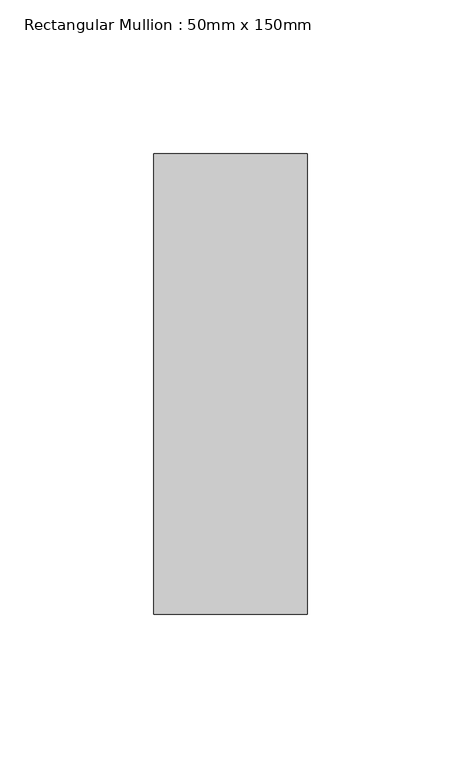
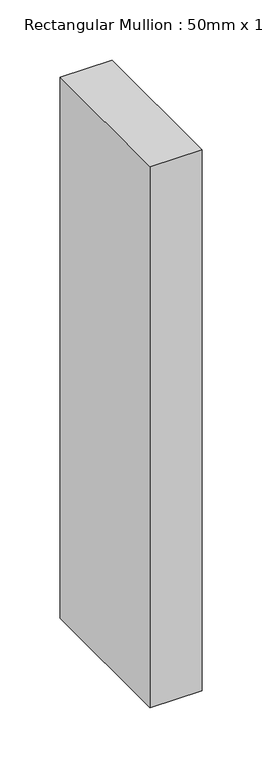
"""IFC4 building model written with IfcOpenShell, lengths in millimetres: member geometry, Rectangular Mullion : 50mm x 150mm."""

from ifc_helpers import new_model, si_unit, frame, origin, place, context, project, spatial, polyline, outline, extrude, source, transform, mapped, element, save


def rectangular_mullion_50mm_x_150mm_5dbd0429(model_context):
    return source(origin(), model_context, "Body", "SweptSolid", [
        extrude(outline(polyline([(0.0, 75.0), (0.0, -75.0), (-50.0, -75.0), (-50.0, 75.0), (0.0, 75.0)])), frame((0.0, 0.0, -550.0), z_axis=(0.0, 0.0, 1.0), x_axis=(1.0, 0.0, 0.0)), (0.0, 0.0, 1.0), 550.0),
    ])


if __name__ == "__main__":
    model = new_model("IFC4")
    model_context = context("Model", 3, world=origin())
    ifc_project = project(units=[si_unit("LENGTHUNIT", "METRE", prefix="MILLI")], contexts=[model_context])
    site = spatial("IfcSite", under=ifc_project)
    building = spatial("IfcBuilding", under=site)
    placement = place(None, origin())
    rectangular_mullion_50mm_x_150mm_shape = rectangular_mullion_50mm_x_150mm_5dbd0429(model_context)
    element("IfcMember", 1, ObjectType="Rectangular Mullion : 50mm x 150mm", at=placement, inside=building, context=model_context, shape_type="MappedRepresentation", body=[
        mapped(rectangular_mullion_50mm_x_150mm_shape, transform((0.0, 0.0, 0.0), x_axis=(1.0, 0.0, 0.0), y_axis=(0.0, 1.0, 0.0), z_axis=(0.0, 0.0, 1.0))),
    ])
    save(model, "model.ifc")
